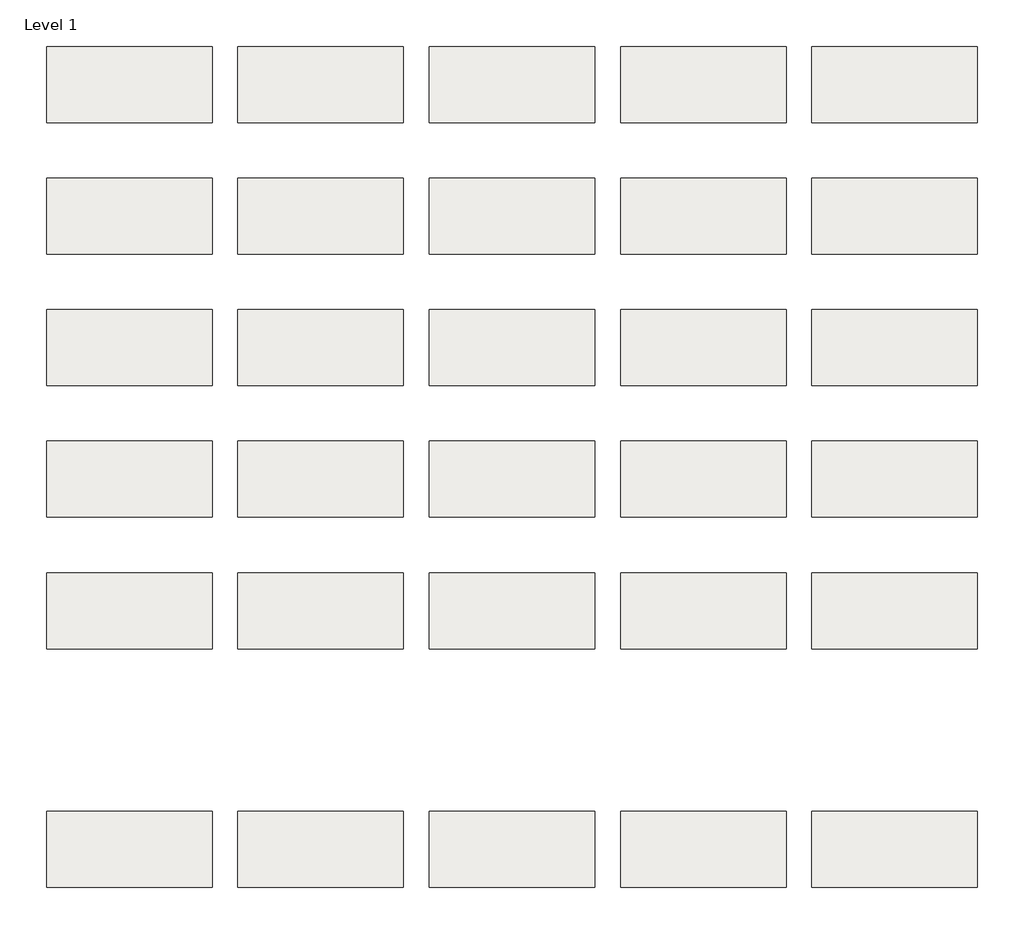
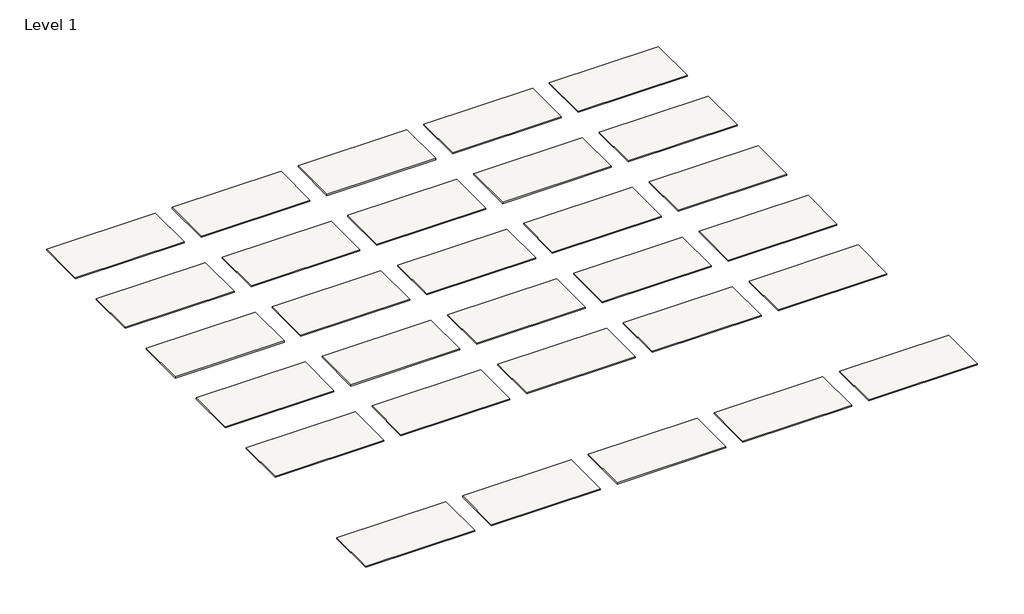
# One storey: 30 roofs.
"""IFC4 building model written with IfcOpenShell, lengths in millimetres."""

from ifc_helpers import new_model, si_unit, origin, origin_with_axes, place, context, project, spatial, polyline, outline, extrude, element, save

model = new_model("IFC4")

# Units and contexts
model_context = context("Model", 3, world=origin())
ifc_project = project(units=[si_unit("LENGTHUNIT", "METRE", prefix="MILLI")], contexts=[model_context])

# Site, building, storey
site = spatial("IfcSite", under=ifc_project)
building = spatial("IfcBuilding", under=site)
storey = spatial("IfcBuildingStorey", under=building, Name="Level 1", Elevation=0.0)

# Roofs
placement = place(None, origin())
element("IfcRoof", 1, at=placement, inside=storey, context=model_context, shape_type="SweptSolid", body=[
    extrude(outline(polyline([(1018.3528827, -1370.5264682), (4117.1528827, -1370.5264682), (4117.1528827, -2792.9264682), (1018.3528827, -2792.9264682), (1018.3528827, -1370.5264682)])), origin_with_axes(), (0.0, 0.0, 1.0), 31.75),
])
element("IfcRoof", 2, at=placement, inside=storey, context=model_context, shape_type="SweptSolid", body=[
    extrude(outline(polyline([(4599.7528827, -1370.5264682), (7698.5528827, -1370.5264682), (7698.5528827, -2792.9264682), (4599.7528827, -2792.9264682), (4599.7528827, -1370.5264682)])), origin_with_axes(), (0.0, 0.0, 1.0), 31.75),
])
element("IfcRoof", 3, at=placement, inside=storey, context=model_context, shape_type="SweptSolid", body=[
    extrude(outline(polyline([(-9725.8471173, 1093.2735318), (-6627.0471173, 1093.2735318), (-6627.0471173, -329.1264682), (-9725.8471173, -329.1264682), (-9725.8471173, 1093.2735318)])), origin_with_axes(), (0.0, 0.0, 1.0), 31.75),
])
element("IfcRoof", 4, at=placement, inside=storey, context=model_context, shape_type="SweptSolid", body=[
    extrude(outline(polyline([(1018.3528827, 1093.2735318), (4117.1528827, 1093.2735318), (4117.1528827, -329.1264682), (1018.3528827, -329.1264682), (1018.3528827, 1093.2735318)])), origin_with_axes(), (0.0, 0.0, 1.0), 31.75),
])
element("IfcRoof", 5, at=placement, inside=storey, context=model_context, shape_type="SweptSolid", body=[
    extrude(outline(polyline([(4599.7528827, 1093.2735318), (7698.5528827, 1093.2735318), (7698.5528827, -329.1264682), (4599.7528827, -329.1264682), (4599.7528827, 1093.2735318)])), origin_with_axes(), (0.0, 0.0, 1.0), 31.75),
])
element("IfcRoof", 6, at=placement, inside=storey, context=model_context, shape_type="SweptSolid", body=[
    extrude(outline(polyline([(-9725.8471173, 3557.0735318), (-6627.0471173, 3557.0735318), (-6627.0471173, 2134.6735318), (-9725.8471173, 2134.6735318), (-9725.8471173, 3557.0735318)])), origin_with_axes(), (0.0, 0.0, 1.0), 31.75),
])
element("IfcRoof", 7, at=placement, inside=storey, context=model_context, shape_type="SweptSolid", body=[
    extrude(outline(polyline([(-2563.0471173, 3557.0735318), (535.7528827, 3557.0735318), (535.7528827, 2134.6735318), (-2563.0471173, 2134.6735318), (-2563.0471173, 3557.0735318)])), origin_with_axes(), (0.0, 0.0, 1.0), 31.75),
])
element("IfcRoof", 8, at=placement, inside=storey, context=model_context, shape_type="SweptSolid", body=[
    extrude(outline(polyline([(1018.3528827, 3557.0735318), (4117.1528827, 3557.0735318), (4117.1528827, 2134.6735318), (1018.3528827, 2134.6735318), (1018.3528827, 3557.0735318)])), origin_with_axes(), (0.0, 0.0, 1.0), 31.75),
])
element("IfcRoof", 9, at=placement, inside=storey, context=model_context, shape_type="SweptSolid", body=[
    extrude(outline(polyline([(4599.7528827, 3557.0735318), (7698.5528827, 3557.0735318), (7698.5528827, 2134.6735318), (4599.7528827, 2134.6735318), (4599.7528827, 3557.0735318)])), origin_with_axes(), (0.0, 0.0, 1.0), 31.75),
])
element("IfcRoof", 10, at=placement, inside=storey, context=model_context, shape_type="SweptSolid", body=[
    extrude(outline(polyline([(-9725.8471173, 6020.8735318), (-6627.0471173, 6020.8735318), (-6627.0471173, 4598.4735318), (-9725.8471173, 4598.4735318), (-9725.8471173, 6020.8735318)])), origin_with_axes(), (0.0, 0.0, 1.0), 31.75),
])
element("IfcRoof", 11, at=placement, inside=storey, context=model_context, shape_type="SweptSolid", body=[
    extrude(outline(polyline([(-6144.4471173, 6020.8735318), (-3045.6471173, 6020.8735318), (-3045.6471173, 4598.4735318), (-6144.4471173, 4598.4735318), (-6144.4471173, 6020.8735318)])), origin_with_axes(), (0.0, 0.0, 1.0), 31.75),
])
element("IfcRoof", 12, at=placement, inside=storey, context=model_context, shape_type="SweptSolid", body=[
    extrude(outline(polyline([(-2563.0471173, 6020.8735318), (535.7528827, 6020.8735318), (535.7528827, 4598.4735318), (-2563.0471173, 4598.4735318), (-2563.0471173, 6020.8735318)])), origin_with_axes(), (0.0, 0.0, 1.0), 31.75),
])
element("IfcRoof", 13, at=placement, inside=storey, context=model_context, shape_type="SweptSolid", body=[
    extrude(outline(polyline([(1018.3528827, 6020.8735318), (4117.1528827, 6020.8735318), (4117.1528827, 4598.4735318), (1018.3528827, 4598.4735318), (1018.3528827, 6020.8735318)])), origin_with_axes(), (0.0, 0.0, 1.0), 31.75),
])
element("IfcRoof", 14, at=placement, inside=storey, context=model_context, shape_type="SweptSolid", body=[
    extrude(outline(polyline([(-6144.4471173, 8484.6735318), (-3045.6471173, 8484.6735318), (-3045.6471173, 7062.2735318), (-6144.4471173, 7062.2735318), (-6144.4471173, 8484.6735318)])), origin_with_axes(), (0.0, 0.0, 1.0), 31.75),
])
element("IfcRoof", 15, at=placement, inside=storey, context=model_context, shape_type="SweptSolid", body=[
    extrude(outline(polyline([(4599.7528827, 8484.6735318), (7698.5528827, 8484.6735318), (7698.5528827, 7062.2735318), (4599.7528827, 7062.2735318), (4599.7528827, 8484.6735318)])), origin_with_axes(), (0.0, 0.0, 1.0), 31.75),
])
element("IfcRoof", 16, at=placement, inside=storey, context=model_context, shape_type="SweptSolid", body=[
    extrude(outline(polyline([(-2563.0471173, -5840.9264682), (535.7528827, -5840.9264682), (535.7528827, -7263.3264682), (-2563.0471173, -7263.3264682), (-2563.0471173, -5840.9264682)])), origin_with_axes(), (0.0, 0.0, 1.0), 31.75),
])
element("IfcRoof", 17, at=placement, inside=storey, context=model_context, shape_type="SweptSolid", body=[
    extrude(outline(polyline([(4599.7528827, -5840.9264682), (7698.5528827, -5840.9264682), (7698.5528827, -7263.3264682), (4599.7528827, -7263.3264682), (4599.7528827, -5840.9264682)])), origin_with_axes(), (0.0, 0.0, 1.0), 31.75),
])
element("IfcRoof", 18, ObjectType="Metal - Fabral - PBR Panel - 36\" - 22 ga. Steel - Almond", at=placement, inside=storey, context=model_context, shape_type="SweptSolid", body=[
    extrude(outline(polyline([(-9725.8471173, -1370.5264682), (-6627.0471173, -1370.5264682), (-6627.0471173, -2792.9264682), (-9725.8471173, -2792.9264682), (-9725.8471173, -1370.5264682)])), origin_with_axes(), (0.0, 0.0, 1.0), 31.75),
])
element("IfcRoof", 19, ObjectType="Metal - Fabral - PBR Panel - 36\" - 22 ga. Steel - Banner Red", at=placement, inside=storey, context=model_context, shape_type="SweptSolid", body=[
    extrude(outline(polyline([(-6144.4471173, -1370.5264682), (-3045.6471173, -1370.5264682), (-3045.6471173, -2792.9264682), (-6144.4471173, -2792.9264682), (-6144.4471173, -1370.5264682)])), origin_with_axes(), (0.0, 0.0, 1.0), 31.75),
])
element("IfcRoof", 20, ObjectType="Metal - Fabral - PBR Panel - 36\" - 22 ga. Steel - Bone White", at=placement, inside=storey, context=model_context, shape_type="SweptSolid", body=[
    extrude(outline(polyline([(-2563.0471173, -1370.5264682), (535.7528827, -1370.5264682), (535.7528827, -2792.9264682), (-2563.0471173, -2792.9264682), (-2563.0471173, -1370.5264682)])), origin_with_axes(), (0.0, 0.0, 1.0), 31.75),
])
element("IfcRoof", 21, ObjectType="Metal - Fabral - PBR Panel - 36\" - 22 ga. Steel - Champagne", at=placement, inside=storey, context=model_context, shape_type="SweptSolid", body=[
    extrude(outline(polyline([(-6144.4471173, 1093.2735318), (-3045.6471173, 1093.2735318), (-3045.6471173, -329.1264682), (-6144.4471173, -329.1264682), (-6144.4471173, 1093.2735318)])), origin_with_axes(), (0.0, 0.0, 1.0), 31.75),
])
element("IfcRoof", 22, ObjectType="Metal - Fabral - PBR Panel - 36\" - 22 ga. Steel - Charcoal", at=placement, inside=storey, context=model_context, shape_type="SweptSolid", body=[
    extrude(outline(polyline([(-2563.0471173, 1093.2735318), (535.7528827, 1093.2735318), (535.7528827, -329.1264682), (-2563.0471173, -329.1264682), (-2563.0471173, 1093.2735318)])), origin_with_axes(), (0.0, 0.0, 1.0), 31.75),
])
element("IfcRoof", 23, ObjectType="Metal - Fabral - PBR Panel - 36\" - 22 ga. Steel - Dove Gray", at=placement, inside=storey, context=model_context, shape_type="SweptSolid", body=[
    extrude(outline(polyline([(-6144.4471173, 3557.0735318), (-3045.6471173, 3557.0735318), (-3045.6471173, 2134.6735318), (-6144.4471173, 2134.6735318), (-6144.4471173, 3557.0735318)])), origin_with_axes(), (0.0, 0.0, 1.0), 31.75),
])
element("IfcRoof", 24, ObjectType="Metal - Fabral - PBR Panel - 36\" - 22 ga. Steel - Pewter", at=placement, inside=storey, context=model_context, shape_type="SweptSolid", body=[
    extrude(outline(polyline([(4599.7528827, 6020.8735318), (7698.5528827, 6020.8735318), (7698.5528827, 4598.4735318), (4599.7528827, 4598.4735318), (4599.7528827, 6020.8735318)])), origin_with_axes(), (0.0, 0.0, 1.0), 31.75),
])
element("IfcRoof", 25, ObjectType="Metal - Fabral - PBR Panel - 36\" - 22 ga. Steel - Regal Blue", at=placement, inside=storey, context=model_context, shape_type="SweptSolid", body=[
    extrude(outline(polyline([(-9725.8471173, 8484.6735318), (-6627.0471173, 8484.6735318), (-6627.0471173, 7062.2735318), (-9725.8471173, 7062.2735318), (-9725.8471173, 8484.6735318)])), origin_with_axes(), (0.0, 0.0, 1.0), 31.75),
])
element("IfcRoof", 26, ObjectType="Metal - Fabral - PBR Panel - 36\" - 22 ga. Steel - Sandstone", at=placement, inside=storey, context=model_context, shape_type="SweptSolid", body=[
    extrude(outline(polyline([(-2563.0471173, 8484.6735318), (535.7528827, 8484.6735318), (535.7528827, 7062.2735318), (-2563.0471173, 7062.2735318), (-2563.0471173, 8484.6735318)])), origin_with_axes(), (0.0, 0.0, 1.0), 31.75),
])
element("IfcRoof", 27, ObjectType="Metal - Fabral - PBR Panel - 36\" - 22 ga. Steel - Sierra Tan", at=placement, inside=storey, context=model_context, shape_type="SweptSolid", body=[
    extrude(outline(polyline([(1018.3528827, 8484.6735318), (4117.1528827, 8484.6735318), (4117.1528827, 7062.2735318), (1018.3528827, 7062.2735318), (1018.3528827, 8484.6735318)])), origin_with_axes(), (0.0, 0.0, 1.0), 31.75),
])
element("IfcRoof", 28, ObjectType="Metal - Fabral - PBR Panel - 36\" - 22 ga. Steel - Slate Blue", at=placement, inside=storey, context=model_context, shape_type="SweptSolid", body=[
    extrude(outline(polyline([(-9725.8471173, -5840.9264682), (-6627.0471173, -5840.9264682), (-6627.0471173, -7263.3264682), (-9725.8471173, -7263.3264682), (-9725.8471173, -5840.9264682)])), origin_with_axes(), (0.0, 0.0, 1.0), 31.75),
])
element("IfcRoof", 29, ObjectType="Metal - Fabral - PBR Panel - 36\" - 22 ga. Steel - Slate Gray", at=placement, inside=storey, context=model_context, shape_type="SweptSolid", body=[
    extrude(outline(polyline([(-6144.4471173, -5840.9264682), (-3045.6471173, -5840.9264682), (-3045.6471173, -7263.3264682), (-6144.4471173, -7263.3264682), (-6144.4471173, -5840.9264682)])), origin_with_axes(), (0.0, 0.0, 1.0), 31.75),
])
element("IfcRoof", 30, ObjectType="Metal - Fabral - PBR Panel - 36\" - 22 ga. Steel - Teal", at=placement, inside=storey, context=model_context, shape_type="SweptSolid", body=[
    extrude(outline(polyline([(1018.3528827, -5840.9264682), (4117.1528827, -5840.9264682), (4117.1528827, -7263.3264682), (1018.3528827, -7263.3264682), (1018.3528827, -5840.9264682)])), origin_with_axes(), (0.0, 0.0, 1.0), 31.75),
])

save(model, "model.ifc")
